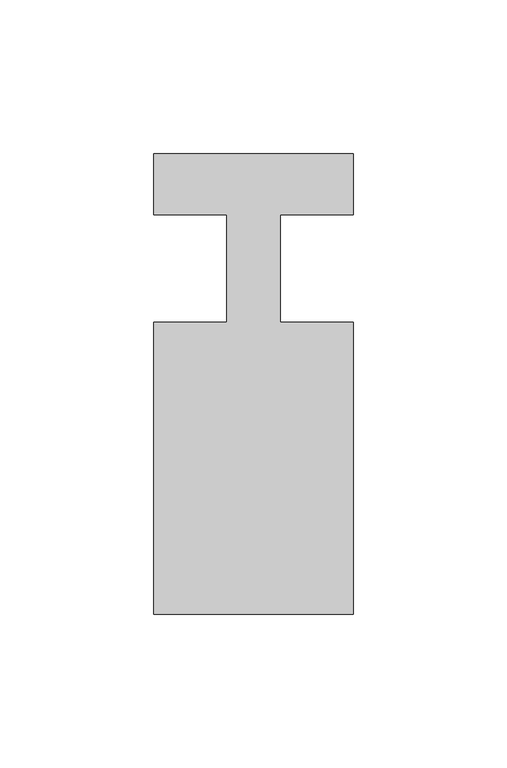
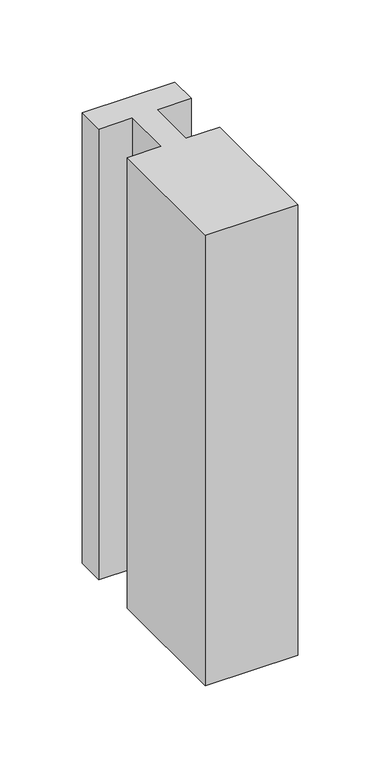
"""IFC4 building model written with IfcOpenShell, lengths in millimetres: member geometry."""

from ifc_helpers import new_model, si_unit, frame, origin, place, context, project, spatial, polyline, outline, extrude, source, transform, mapped, element, save


def member_dcdd69b1(model_context):
    return source(origin(), model_context, "Body", "SweptSolid", [
        extrude(outline(polyline([(-65.0, 37.0), (0.0, 37.0), (0.0, 17.0), (-23.8125, 17.0), (-23.8125, -18.0), (0.0, -18.0), (0.0, -113.0), (-65.0, -113.0), (-65.0, -18.0), (-41.1875, -18.0), (-41.1875, 17.0), (-65.0, 17.0), (-65.0, 37.0)])), frame((0.0, 0.0, -335.0), z_axis=(0.0, 0.0, 1.0), x_axis=(1.0, 0.0, 0.0)), (0.0, 0.0, 1.0), 335.0),
    ])


if __name__ == "__main__":
    model = new_model("IFC4")
    model_context = context("Model", 3, world=origin())
    ifc_project = project(units=[si_unit("LENGTHUNIT", "METRE", prefix="MILLI")], contexts=[model_context])
    site = spatial("IfcSite", under=ifc_project)
    building = spatial("IfcBuilding", under=site)
    placement = place(None, origin())
    member_shape = member_dcdd69b1(model_context)
    element("IfcMember", 1, at=placement, inside=building, context=model_context, shape_type="MappedRepresentation", body=[
        mapped(member_shape, transform((0.0, 0.0, 0.0), x_axis=(1.0, 0.0, 0.0), y_axis=(0.0, 1.0, 0.0), z_axis=(0.0, 0.0, 1.0))),
    ])
    save(model, "model.ifc")
